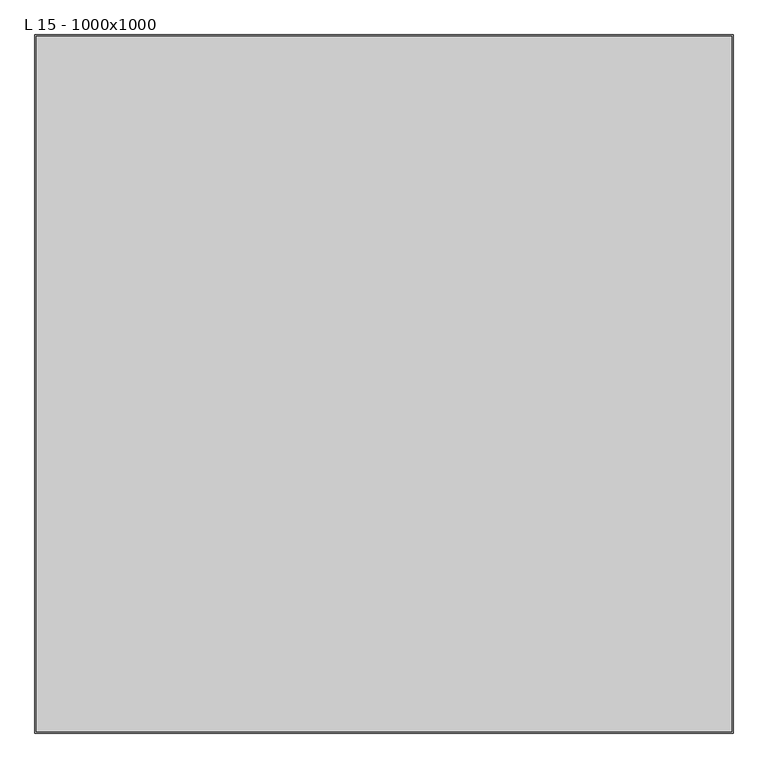
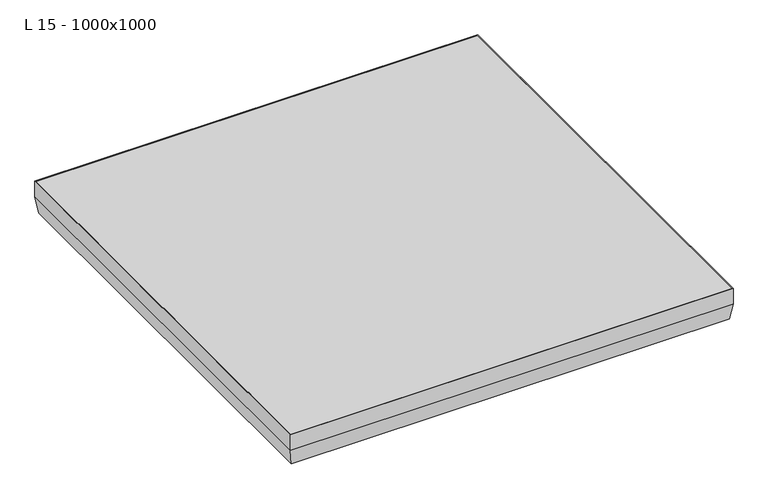
"""IFC4 building model written with IfcOpenShell, lengths in millimetres: proxy geometry, L 15 - 1000x1000."""

import ifcopenshell
import ifcopenshell.guid

model = None  # the IFC model being written
_history = None  # IfcOwnerHistory: only IFC2X3 demands one
_inside = {}  # id of a spatial element -> (the spatial element, [elements in it])
_under = {}  # id of a project, library or spatial element -> (it, [spatial elements below it])
_declared = {}  # id of a project -> (the project, [libraries it declares])
_typed = {}  # id of a type object -> (the type object, [elements of that type])
_made_of = {}  # id of a material, layer set ... -> (it, [elements and type objects made of it])


def new_model(schema):
    """Start an empty IFC model of exactly this schema.

    Asked for "IFC4X3", IfcOpenShell would pick the latest addendum, in which some entities
    have other attributes; the version numbers below select the first issue.
    IFC2X3 requires an IfcOwnerHistory on every rooted entity: one is made here for all.
    """
    global model, _history
    if schema == "IFC4X3":
        model = ifcopenshell.file(schema_version=(4, 3, 0, 0))
    else:
        model = ifcopenshell.file(schema=schema)
    _inside.clear()
    _under.clear()
    _declared.clear()
    _typed.clear()
    _made_of.clear()
    _history = None
    if model.schema == "IFC2X3":
        org = make("IfcOrganization", Name="unknown")
        user = make(
            "IfcPersonAndOrganization",
            ThePerson=make("IfcPerson", FamilyName="unknown"),
            TheOrganization=org,
        )
        app = make(
            "IfcApplication",
            ApplicationDeveloper=org,
            Version="unknown",
            ApplicationFullName="unknown",
            ApplicationIdentifier="unknown",
        )
        _history = make(
            "IfcOwnerHistory",
            OwningUser=user,
            OwningApplication=app,
            ChangeAction="ADDED",
            CreationDate=0,
        )
    return model


def make(cls, **values):
    """One entity of the class cls with the attributes given. An attribute that is None is left unset."""
    return model.create_entity(
        cls, **{name: value for name, value in values.items() if value is not None}
    )


def rooted(cls, **values):
    """An entity with a GlobalId (a new one), such as an element, a storey or a relation."""
    return make(cls, GlobalId=ifcopenshell.guid.new(), OwnerHistory=_history, **values)


def si_unit(unit_type, name, prefix=None):
    """IfcSIUnit, for example si_unit("LENGTHUNIT", "METRE", prefix="MILLI")."""
    return make("IfcSIUnit", UnitType=unit_type, Prefix=prefix, Name=name)


def assignment(units):
    """IfcUnitAssignment: the units of a project."""
    return None if units is None else make("IfcUnitAssignment", Units=units)


def point(xyz):
    """IfcCartesianPoint."""
    return None if xyz is None else make("IfcCartesianPoint", Coordinates=xyz)


def direction(xyz):
    """IfcDirection."""
    return None if xyz is None else make("IfcDirection", DirectionRatios=xyz)


def frame(location, z_axis=None, x_axis=None):
    """IfcAxis2Placement3D, a coordinate frame: its origin and axes. An axis left out is left unset."""
    return make(
        "IfcAxis2Placement3D",
        Location=point(location),
        Axis=direction(z_axis),
        RefDirection=direction(x_axis),
    )


def origin():
    """The frame at (0, 0, 0) with its axes left unset."""
    return frame((0.0, 0.0, 0.0))


def place(relative_to, where):
    """IfcLocalPlacement: puts the frame where relative to a parent placement (None: the world)."""
    return make(
        "IfcLocalPlacement", PlacementRelTo=relative_to, RelativePlacement=where
    )


def context(
    kind, dimensions, precision=None, world=None, true_north=None, identifier=None
):
    """IfcGeometricRepresentationContext, for example the 3D "Model" context."""
    return make(
        "IfcGeometricRepresentationContext",
        ContextIdentifier=identifier,
        ContextType=kind,
        CoordinateSpaceDimension=dimensions,
        Precision=precision,
        WorldCoordinateSystem=world,
        TrueNorth=true_north,
    )


def project(units=None, contexts=None):
    """IfcProject with its units and contexts."""
    return rooted(
        "IfcProject",
        Name="project",
        RepresentationContexts=contexts,
        UnitsInContext=assignment(units),
    )


def spatial(cls, under=None, at=None, **own):
    """A site, building, storey or space (cls), placed at a placement, below another one or the project."""
    s = rooted(cls, ObjectPlacement=at, **own)
    if under is not None:
        _under.setdefault(under.id(), (under, []))[1].append(s)
    return s


def polyline(points):
    """IfcPolyline through the points."""
    return make("IfcPolyline", Points=[point(p) for p in points])


def outline(outer, holes=None, kind="AREA"):
    """IfcArbitraryClosedProfileDef: a profile drawn as a closed curve; with holes, ...WithVoids."""
    if holes is None:
        return make("IfcArbitraryClosedProfileDef", ProfileType=kind, OuterCurve=outer)
    return make(
        "IfcArbitraryProfileDefWithVoids",
        ProfileType=kind,
        OuterCurve=outer,
        InnerCurves=holes,
    )


def extrude(swept, where, along, depth):
    """IfcExtrudedAreaSolid: the profile swept, set in the frame where, extruded along a direction by depth."""
    return make(
        "IfcExtrudedAreaSolid",
        SweptArea=swept,
        Position=where,
        ExtrudedDirection=direction(along),
        Depth=depth,
    )


def faces_of(points, faces, orient=None, outer=None):
    """IfcFace entities. A face is a list of loops; a loop is a list of indices into points, from 0.

    orient and outer hold one flag for each loop. By default every Orientation is true, the
    first loop of a face is its IfcFaceOuterBound and the others are IfcFaceBound.
    """
    made = []
    for i, loops in enumerate(faces):
        bounds = []
        for j, loop in enumerate(loops):
            is_outer = j == 0 if outer is None else outer[i][j]
            bounds.append(
                make(
                    "IfcFaceOuterBound" if is_outer else "IfcFaceBound",
                    Bound=make("IfcPolyLoop", Polygon=[points[k] for k in loop]),
                    Orientation=True if orient is None else orient[i][j],
                )
            )
        made.append(make("IfcFace", Bounds=bounds))
    return made


def faceted_brep(points, faces, orient=None, outer=None, voids=None):
    """IfcFacetedBrep: a solid bounded by flat faces; with voids (closed shells), ...WithVoids."""
    shared = [point(p) for p in points]
    hull = make("IfcClosedShell", CfsFaces=faces_of(shared, faces, orient, outer))
    if voids is None:
        return make("IfcFacetedBrep", Outer=hull)
    return make(
        "IfcFacetedBrepWithVoids",
        Outer=hull,
        Voids=[
            make(cls, CfsFaces=faces_of(shared, fs, o, b)) for cls, fs, o, b in voids
        ],
    )


def shape(context_of_items, identifier, shape_type, items):
    """IfcShapeRepresentation: the items that make up one representation, for example the "Body"."""
    return make(
        "IfcShapeRepresentation",
        ContextOfItems=context_of_items,
        RepresentationIdentifier=identifier,
        RepresentationType=shape_type,
        Items=items,
    )


def source(mapping_origin, context_of_items, identifier, shape_type, items):
    """IfcRepresentationMap: a shape defined once, which mapped items show again and again."""
    return make(
        "IfcRepresentationMap",
        MappingOrigin=mapping_origin,
        MappedRepresentation=shape(context_of_items, identifier, shape_type, items),
    )


def transform(
    local_origin,
    x_axis=None,
    y_axis=None,
    z_axis=None,
    scale=None,
    scale2=None,
    scale3=None,
    uniform=True,
):
    """IfcCartesianTransformationOperator3D, or its non-uniform kind. x_axis, y_axis, z_axis: its Axis1, 2, 3."""
    if uniform:
        return make(
            "IfcCartesianTransformationOperator3D",
            Axis1=direction(x_axis),
            Axis2=direction(y_axis),
            LocalOrigin=point(local_origin),
            Scale=scale,
            Axis3=direction(z_axis),
        )
    return make(
        "IfcCartesianTransformationOperator3DnonUniform",
        Axis1=direction(x_axis),
        Axis2=direction(y_axis),
        LocalOrigin=point(local_origin),
        Scale=scale,
        Axis3=direction(z_axis),
        Scale2=scale2,
        Scale3=scale3,
    )


def mapped(mapping_source, mapping_target):
    """IfcMappedItem: shows the shape of a source again, moved by a transform."""
    return make(
        "IfcMappedItem", MappingSource=mapping_source, MappingTarget=mapping_target
    )


def made_of(thing, what):
    """Note that an element or type object is made of a material, layer set ...; save() writes the relation."""
    if what is not None:
        _made_of.setdefault(what.id(), (what, []))[1].append(thing)
    return thing


def element(
    cls,
    number,
    at=None,
    inside=None,
    cuts=None,
    type_object=None,
    material=None,
    context=None,
    identifier="Body",
    shape_type=None,
    held_by="IfcProductDefinitionShape",
    body=None,
    shapes=None,
    **own,
):
    """One element of the class cls, such as IfcWall. Its Tag is "e" and its number.

    at: its placement. inside: the storey or other place that contains it. cuts: it is an
    opening in that element (IfcRelVoidsElement). A single representation is given by context,
    identifier, shape_type and body (its items); several are given by shapes. held_by: the class
    of the entity that holds the representations. save() writes the other relations.
    """
    e = rooted(cls, Tag="e%d" % number, ObjectPlacement=at, **own)
    if body is not None:
        shapes = [shape(context, identifier, shape_type, body)]
    if shapes is not None:
        e.Representation = make(held_by, Representations=shapes)
    if inside is not None:
        _inside.setdefault(inside.id(), (inside, []))[1].append(e)
    if cuts is not None:
        rooted(
            "IfcRelVoidsElement", RelatingBuildingElement=cuts, RelatedOpeningElement=e
        )
    if type_object is not None:
        _typed.setdefault(type_object.id(), (type_object, []))[1].append(e)
    return made_of(e, material)


def aggregate(whole, parts):
    """IfcRelAggregates: a whole, such as a stair, and the parts it consists of."""
    return rooted("IfcRelAggregates", RelatingObject=whole, RelatedObjects=parts)


def save(model, path):
    """Write the relations noted so far, then the file.

    IfcRelAggregates (storeys below a building ...), IfcRelContainedInSpatialStructure (elements
    in a storey), IfcRelDefinesByType, IfcRelAssociatesMaterial and IfcRelDeclares: one each for
    every whole, place, type object, material and project.
    """
    for whole, parts in _under.values():
        aggregate(whole, parts)
    for where, things in _inside.values():
        rooted(
            "IfcRelContainedInSpatialStructure",
            RelatedElements=things,
            RelatingStructure=where,
        )
    for kind, things in _typed.values():
        rooted("IfcRelDefinesByType", RelatedObjects=things, RelatingType=kind)
    for what, things in _made_of.values():
        rooted("IfcRelAssociatesMaterial", RelatedObjects=things, RelatingMaterial=what)
    for by, libraries in _declared.values():
        rooted("IfcRelDeclares", RelatingContext=by, RelatedDefinitions=libraries)
    model.write(path)


def l_15_1000x1000_ac548bb2(model_context):
    return source(origin(), model_context, "Body", "SolidModel", [
        extrude(outline(polyline([(552.9610723, 552.9610723), (552.9610723, -552.9610723), (-552.9610723, -552.9610723), (-552.9610723, 552.9610723), (552.9610723, 552.9610723)])), frame((0.0, 0.0, -5.0), z_axis=(0.0, 0.0, 1.0), x_axis=(1.0, 0.0, 0.0)), (0.0, 0.0, 1.0), 5.0),
        faceted_brep([(552.9610723, 552.9610723, 0.0), (552.9610723, 552.9610723, -40.6371315), (552.9610723, -552.9610723, -40.6371315), (552.9610723, -552.9610723, 0.0), (554.9610723, 554.9610723, -40.7769852), (554.9610723, 554.9610723, 0.0), (554.9610723, -554.9610723, 0.0), (554.9610723, -554.9610723, -40.7769852), (-552.9610723, -552.9610723, -40.6371315), (-552.9610723, -552.9610723, 0.0), (-554.9610723, -554.9610723, 0.0), (-554.9610723, -554.9610723, -40.7769852), (-552.9610723, 552.9610723, -40.6371315), (-552.9610723, 552.9610723, 0.0), (-554.9610723, 554.9610723, 0.0), (-554.9610723, 554.9610723, -40.7769852), (547.3587115, 547.3587115, -80.5), (547.3587115, -547.3587115, -80.5), (-547.3587115, -547.3587115, -80.5), (-547.3587115, 547.3587115, -80.5), (500.0, -500.0, -80.5), (-500.0, -500.0, -80.5), (-500.0, 500.0, -80.5), (500.0, 500.0, -80.5), (549.0972849, -549.0972849, -82.5), (-549.0972849, -549.0972849, -82.5), (-549.0972849, 549.0972849, -82.5), (549.0972849, 549.0972849, -82.5), (500.0, 500.0, -82.5), (-500.0, 500.0, -82.5), (-500.0, -500.0, -82.5), (500.0, -500.0, -82.5)], [[[0, 1, 2, 3]], [[4, 5, 6, 7]], [[3, 2, 8, 9]], [[7, 6, 10, 11]], [[9, 8, 12, 13]], [[11, 10, 14, 15]], [[13, 12, 1, 0]], [[5, 14, 10, 6], [3, 9, 13, 0]], [[15, 14, 5, 4]], [[1, 16, 17, 2]], [[2, 17, 18, 8]], [[8, 18, 19, 12]], [[16, 19, 18, 17], [20, 21, 22, 23]], [[12, 19, 16, 1]], [[24, 25, 26, 27], [28, 29, 30, 31]], [[23, 28, 31, 20]], [[20, 31, 30, 21]], [[21, 30, 29, 22]], [[22, 29, 28, 23]], [[27, 4, 7, 24]], [[24, 7, 11, 25]], [[25, 11, 15, 26]], [[26, 15, 4, 27]]]),
        extrude(outline(polyline([(500.0, 500.0), (500.0, -500.0), (-500.0, -500.0), (-500.0, 500.0), (500.0, 500.0)])), frame((0.0, 0.0, -70.0), z_axis=(0.0, 0.0, 1.0), x_axis=(1.0, 0.0, 0.0)), (0.0, 0.0, 1.0), 2.0),
    ])


if __name__ == "__main__":
    model = new_model("IFC4")
    model_context = context("Model", 3, world=origin())
    ifc_project = project(units=[si_unit("LENGTHUNIT", "METRE", prefix="MILLI")], contexts=[model_context])
    site = spatial("IfcSite", under=ifc_project)
    building = spatial("IfcBuilding", under=site)
    placement = place(None, origin())
    l_15_1000x1000_shape = l_15_1000x1000_ac548bb2(model_context)
    element("IfcBuildingElementProxy", 1, Name="L 15 - 1000x1000", ObjectType="L 15 - 1000x1000", at=placement, inside=building, context=model_context, shape_type="MappedRepresentation", body=[
        mapped(l_15_1000x1000_shape, transform((0.0, 0.0, 0.0), x_axis=(1.0, 0.0, 0.0), y_axis=(0.0, 1.0, 0.0), z_axis=(0.0, 0.0, 1.0))),
    ])
    save(model, "model.ifc")
